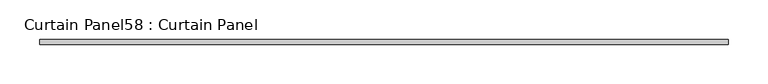
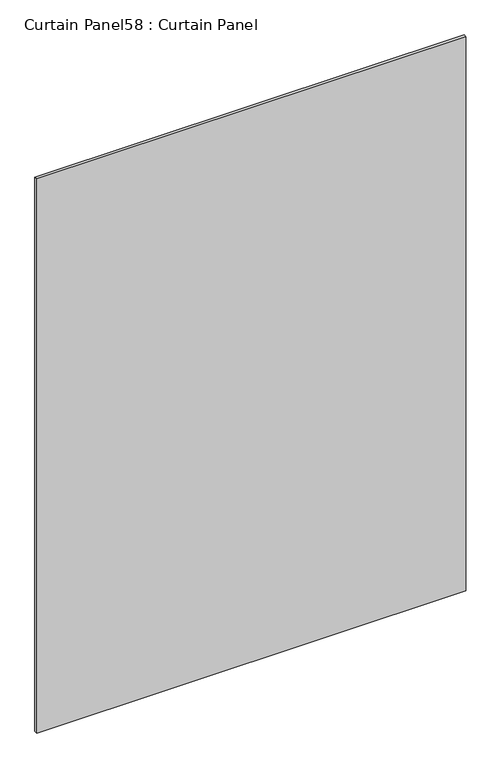
"""IFC4 building model written with IfcOpenShell, lengths in millimetres: plate geometry, Curtain Panel58 : Curtain Panel."""

from ifc_helpers import new_model, si_unit, frame, origin, place, context, project, spatial, polyline, outline, extrude, source, transform, mapped, element, save


def curtain_panel58_curtain_panel_452674dd(model_context):
    return source(origin(), model_context, "Body", "SweptSolid", [
        extrude(outline(polyline([(-36497.5748608, 3064.714383), (-37367.4893244, 3064.714383), (-37367.4893244, 3071.064383), (-36497.5748608, 3071.064383), (-36497.5748608, 3064.714383)])), frame((0.0, 0.0, 1234.9336851), z_axis=(0.0, 0.0, 1.0), x_axis=(1.0, 0.0, 0.0)), (0.0, 0.0, 1.0), 1187.4008149),
    ])


if __name__ == "__main__":
    model = new_model("IFC4")
    model_context = context("Model", 3, world=origin())
    ifc_project = project(units=[si_unit("LENGTHUNIT", "METRE", prefix="MILLI")], contexts=[model_context])
    site = spatial("IfcSite", under=ifc_project)
    building = spatial("IfcBuilding", under=site)
    placement = place(None, origin())
    curtain_panel58_curtain_panel_shape = curtain_panel58_curtain_panel_452674dd(model_context)
    element("IfcPlate", 1, ObjectType="Curtain Panel58 : Curtain Panel", at=placement, inside=building, context=model_context, shape_type="MappedRepresentation", body=[
        mapped(curtain_panel58_curtain_panel_shape, transform((0.0, 0.0, 0.0), x_axis=(1.0, 0.0, 0.0), y_axis=(0.0, 1.0, 0.0), z_axis=(0.0, 0.0, 1.0))),
    ])
    save(model, "model.ifc")
